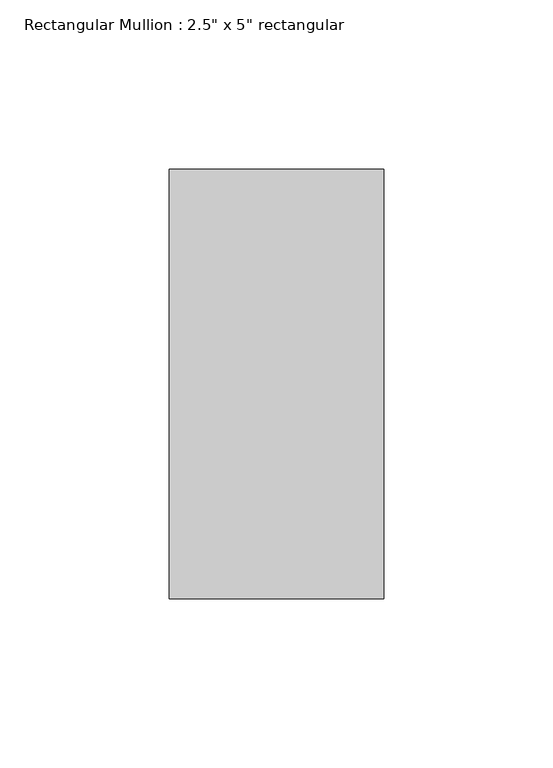
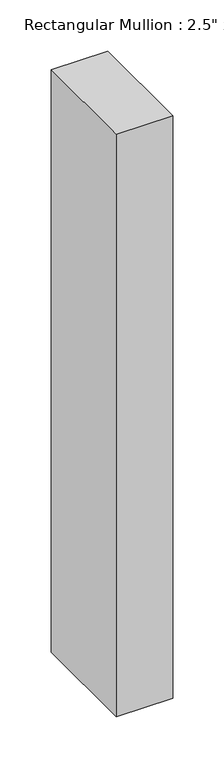
"""IFC4 building model written with IfcOpenShell, lengths in millimetres: member geometry."""

from ifc_helpers import new_model, si_unit, frame, origin, place, context, project, spatial, polyline, outline, extrude, source, transform, mapped, element, save


def member_448b3049(model_context):
    return source(origin(), model_context, "Body", "SweptSolid", [
        extrude(outline(polyline([(31.75, 63.5), (31.75, -63.5), (-31.75, -63.5), (-31.75, 63.5), (31.75, 63.5)])), frame((0.0, 0.0, -694.2666667), z_axis=(0.0, 0.0, 1.0), x_axis=(1.0, 0.0, 0.0)), (0.0, 0.0, 1.0), 694.2666667),
    ])


if __name__ == "__main__":
    model = new_model("IFC4")
    model_context = context("Model", 3, world=origin())
    ifc_project = project(units=[si_unit("LENGTHUNIT", "METRE", prefix="MILLI")], contexts=[model_context])
    site = spatial("IfcSite", under=ifc_project)
    building = spatial("IfcBuilding", under=site)
    placement = place(None, origin())
    member_shape = member_448b3049(model_context)
    element("IfcMember", 1, ObjectType="Rectangular Mullion : 2.5\" x 5\" rectangular", at=placement, inside=building, context=model_context, shape_type="MappedRepresentation", body=[
        mapped(member_shape, transform((0.0, 0.0, 0.0), x_axis=(1.0, 0.0, 0.0), y_axis=(0.0, 1.0, 0.0), z_axis=(0.0, 0.0, 1.0))),
    ])
    save(model, "model.ifc")
